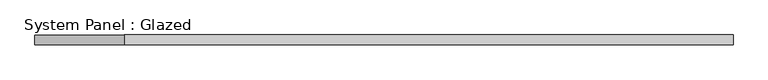
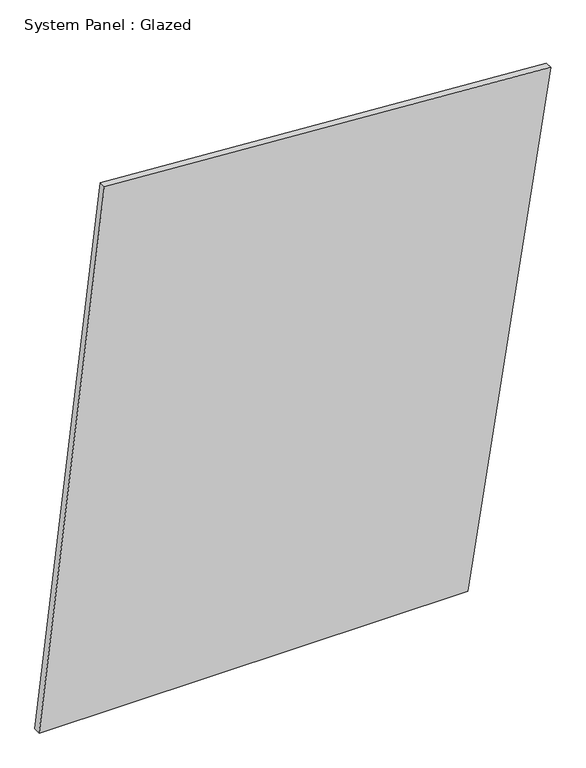
"""IFC4 building model written with IfcOpenShell, lengths in millimetres: plate geometry, System Panel : Glazed."""

from ifc_helpers import new_model, si_unit, frame, origin, place, context, project, spatial, polyline, outline, extrude, source, transform, mapped, element, save


def system_panel_glazed_dc1a511d(model_context):
    return source(origin(), model_context, "Body", "SweptSolid", [
        extrude(outline(polyline([(0.0, -887.9285167), (0.0, 599.7335521), (1822.0760188, 887.9285167), (1925.4701026, -661.0821474), (0.0, -887.9285167)])), frame((0.0, 24.5, 0.0), z_axis=(0.0, 1.0, 0.0), x_axis=(0.0, 0.0, 1.0)), (0.0, 0.0, 1.0), 25.0),
    ])


if __name__ == "__main__":
    model = new_model("IFC4")
    model_context = context("Model", 3, world=origin())
    ifc_project = project(units=[si_unit("LENGTHUNIT", "METRE", prefix="MILLI")], contexts=[model_context])
    site = spatial("IfcSite", under=ifc_project)
    building = spatial("IfcBuilding", under=site)
    placement = place(None, origin())
    system_panel_glazed_shape = system_panel_glazed_dc1a511d(model_context)
    element("IfcPlate", 1, ObjectType="System Panel : Glazed", at=placement, inside=building, context=model_context, shape_type="MappedRepresentation", body=[
        mapped(system_panel_glazed_shape, transform((0.0, 0.0, 0.0), x_axis=(1.0, 0.0, 0.0), y_axis=(0.0, 1.0, 0.0), z_axis=(0.0, 0.0, 1.0))),
    ])
    save(model, "model.ifc")
